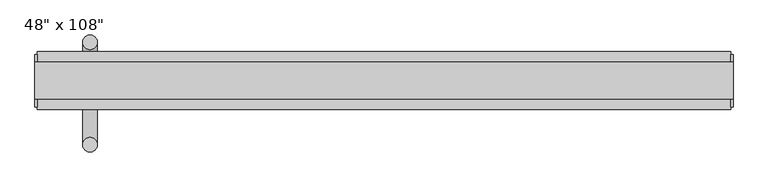
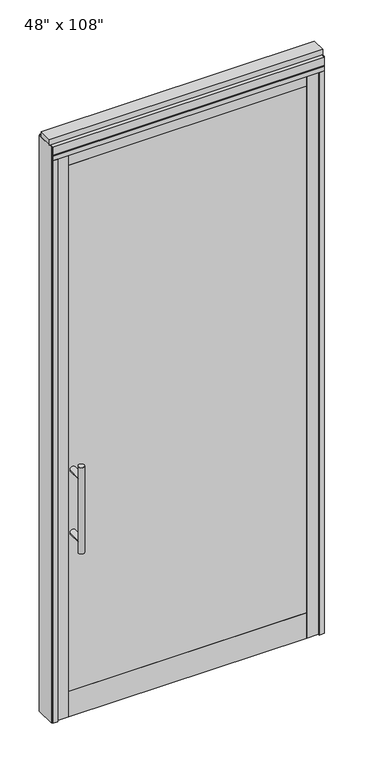
"""IFC4 building model written with IfcOpenShell, lengths in millimetres: furniture geometry."""

from ifc_helpers import new_model, si_unit, frame, origin, origin_with_axes, place, context, project, spatial, polyline, circle_curve, ellipse_curve, outline, extrude, source, transform, mapped, element, save
from ifc_brep_helpers import plane_surface, cylinder_surface, advanced_brep


def furniture_1ddf3896(model_context):
    return source(origin(), model_context, "Body", "SolidModel", [
        extrude(outline(polyline([(470.0614771, -48.9677216), (-590.1345229, -48.9677216), (-590.1345229, -38.8077216), (470.0614771, -38.8077216), (470.0614771, -48.9677216)])), frame((0.0, 0.0, 120.65), z_axis=(0.0, 0.0, 1.0), x_axis=(1.0, 0.0, 0.0)), (0.0, 0.0, 1.0), 2482.85),
        extrude(outline(polyline([(470.0614771, -14.6777216), (-590.1345229, -14.6777216), (-590.1345229, -4.5177216), (470.0614771, -4.5177216), (470.0614771, -14.6777216)])), frame((0.0, 0.0, 120.65), z_axis=(0.0, 0.0, 1.0), x_axis=(1.0, 0.0, 0.0)), (0.0, 0.0, 1.0), 2482.85),
        advanced_brep(
        [(-586.1975229, 63.0462784, 1219.2), (-560.7975229, 63.0462784, 1219.2), (-586.1975229, 63.0462784, 812.8), (-560.7975229, 63.0462784, 812.8), (-560.7975229, 63.0462784, 1164.336), (-560.7975229, 63.0462784, 867.664), (-586.1975229, 63.0462784, 867.664), (-586.1975229, 63.0462784, 1164.336), (-586.1975229, -4.5177216, 1164.336), (-560.7975229, -4.5177216, 1164.336), (-586.1975229, -4.5177216, 867.664), (-560.7975229, -4.5177216, 867.664)],
        [
            (0, 1, circle_curve(frame((-573.4975229, 63.0462784, 1219.2), z_axis=(0.0, 0.0, 1.0), x_axis=(1.0, 0.0, 0.0)), 12.7)),
            (1, 0, circle_curve(frame((-573.4975229, 63.0462784, 1219.2), z_axis=(0.0, 0.0, 1.0), x_axis=(1.0, 0.0, 0.0)), 12.7)),
            (2, 3, circle_curve(frame((-573.4975229, 63.0462784, 812.8), z_axis=(0.0, 0.0, -1.0), x_axis=(1.0, 0.0, 0.0)), 12.7)),
            (3, 2, circle_curve(frame((-573.4975229, 63.0462784, 812.8), z_axis=(0.0, 0.0, -1.0), x_axis=(1.0, 0.0, 0.0)), 12.7)),
            (1, 4),
            (4, 5),
            (5, 3),
            (2, 6),
            (6, 7),
            (7, 0),
            (6, 5, ellipse_curve(frame((-573.4975229, 63.0462784, 867.664), z_axis=(0.0, 0.707106781186565, 0.70710678118653), x_axis=(0.0, -0.70710678118653, 0.707106781186565)), 17.9605122, 12.7)),
            (4, 7, ellipse_curve(frame((-573.4975229, 63.0462784, 1164.336), z_axis=(0.0, 0.70710678118653, -0.7071067811865649), x_axis=(0.0, 0.7071067811865648, 0.7071067811865301)), 17.9605122, 12.7)),
            (7, 4, ellipse_curve(frame((-573.4975229, 63.0462784, 1164.336), z_axis=(0.0, 0.707106781186565, 0.70710678118653), x_axis=(0.0, -0.70710678118653, 0.707106781186565)), 17.9605122, 12.7)),
            (5, 6, ellipse_curve(frame((-573.4975229, 63.0462784, 867.664), z_axis=(0.0, 0.70710678118653, -0.7071067811865649), x_axis=(0.0, 0.7071067811865648, 0.7071067811865301)), 17.9605122, 12.7)),
            (8, 9, circle_curve(frame((-573.4975229, -4.5177216, 1164.336), z_axis=(0.0, -1.0, 0.0), x_axis=(1.0, 0.0, 0.0)), 12.7)),
            (9, 8, circle_curve(frame((-573.4975229, -4.5177216, 1164.336), z_axis=(0.0, -1.0, 0.0), x_axis=(1.0, 0.0, 0.0)), 12.7)),
            (8, 7),
            (4, 9),
            (10, 11, circle_curve(frame((-573.4975229, -4.5177216, 867.664), z_axis=(0.0, -1.0, 0.0), x_axis=(1.0, 0.0, 0.0)), 12.7)),
            (11, 10, circle_curve(frame((-573.4975229, -4.5177216, 867.664), z_axis=(0.0, -1.0, 0.0), x_axis=(1.0, 0.0, 0.0)), 12.7)),
            (10, 6),
            (5, 11),
        ],
        [
            plane_surface(frame((-560.7975229, 63.0462784, 1219.2), z_axis=(0.0, 0.0, 1.0), x_axis=(0.0, -1.0, 0.0))),
            plane_surface(frame((-560.7975229, 63.0462784, 812.8), z_axis=(0.0, 0.0, -1.0), x_axis=(0.0, 1.0, 0.0))),
            cylinder_surface(frame((-573.4975229, 63.0462784, 812.8), z_axis=(0.0, 0.0, 1.0), x_axis=(1.0, 0.0, 0.0)), 12.7),
            plane_surface(frame((-560.7975229, -4.5177216, 1164.336), z_axis=(0.0, -1.0, 0.0), x_axis=(0.0, 0.0, -1.0))),
            cylinder_surface(frame((-573.4975229, -4.5177216, 1164.336), z_axis=(0.0, 1.0, 0.0), x_axis=(1.0, 0.0, 0.0)), 12.7),
            plane_surface(frame((-560.7975229, -4.5177216, 867.664), z_axis=(0.0, -1.0, 0.0), x_axis=(0.0, 0.0, -1.0))),
            cylinder_surface(frame((-573.4975229, -4.5177216, 867.664), z_axis=(0.0, 1.0, 0.0), x_axis=(1.0, 0.0, 0.0)), 12.7),
        ],
        [
            (0, [[1, 2]]),
            (1, [[3, 4]]),
            (2, [[5, 6, 7, -3, 8, 9, 10, -2]]),
            (2, [[-9, 11, -6, 12]]),
            (2, [[-10, 13, -5, -1]]),
            (2, [[-7, 14, -8, -4]]),
            (3, [[15, 16]]),
            (4, [[17, -12, 18, -15]]),
            (4, [[-18, -13, -17, -16]]),
            (5, [[19, 20]]),
            (6, [[21, -14, 22, -19]]),
            (6, [[-22, -11, -21, -20]]),
        ],
    ),
        advanced_brep(
        [(-586.1975229, -116.5317216, 1219.2), (-560.7975229, -116.5317216, 1219.2), (-586.1975229, -116.5317216, 812.8), (-560.7975229, -116.5317216, 812.8), (-586.1975229, -116.5317216, 1164.336), (-586.1975229, -116.5317216, 867.664), (-560.7975229, -116.5317216, 867.664), (-560.7975229, -116.5317216, 1164.336), (-586.1975229, -48.9677216, 1164.336), (-560.7975229, -48.9677216, 1164.336), (-586.1975229, -48.9677216, 867.664), (-560.7975229, -48.9677216, 867.664)],
        [
            (0, 1, circle_curve(frame((-573.4975229, -116.5317216, 1219.2), z_axis=(0.0, 0.0, 1.0), x_axis=(1.0, 0.0, 0.0)), 12.7)),
            (1, 0, circle_curve(frame((-573.4975229, -116.5317216, 1219.2), z_axis=(0.0, 0.0, 1.0), x_axis=(1.0, 0.0, 0.0)), 12.7)),
            (2, 3, circle_curve(frame((-573.4975229, -116.5317216, 812.8), z_axis=(0.0, 0.0, -1.0), x_axis=(1.0, 0.0, 0.0)), 12.7)),
            (3, 2, circle_curve(frame((-573.4975229, -116.5317216, 812.8), z_axis=(0.0, 0.0, -1.0), x_axis=(1.0, 0.0, 0.0)), 12.7)),
            (0, 4),
            (4, 5),
            (5, 2),
            (3, 6),
            (6, 7),
            (7, 1),
            (7, 4, ellipse_curve(frame((-573.4975229, -116.5317216, 1164.336), z_axis=(0.0, -0.707106781186565, 0.70710678118653), x_axis=(0.0, 0.70710678118653, 0.707106781186565)), 17.9605122, 12.7)),
            (5, 6, ellipse_curve(frame((-573.4975229, -116.5317216, 867.664), z_axis=(0.0, -0.70710678118653, -0.7071067811865649), x_axis=(0.0, -0.7071067811865648, 0.7071067811865301)), 17.9605122, 12.7)),
            (4, 7, ellipse_curve(frame((-573.4975229, -116.5317216, 1164.336), z_axis=(0.0, -0.70710678118653, -0.7071067811865649), x_axis=(0.0, -0.7071067811865648, 0.7071067811865301)), 17.9605122, 12.7)),
            (6, 5, ellipse_curve(frame((-573.4975229, -116.5317216, 867.664), z_axis=(0.0, -0.707106781186565, 0.70710678118653), x_axis=(0.0, 0.70710678118653, 0.707106781186565)), 17.9605122, 12.7)),
            (8, 9, circle_curve(frame((-573.4975229, -48.9677216, 1164.336), z_axis=(0.0, 1.0, 0.0), x_axis=(1.0, 0.0, 0.0)), 12.7)),
            (9, 8, circle_curve(frame((-573.4975229, -48.9677216, 1164.336), z_axis=(0.0, 1.0, 0.0), x_axis=(1.0, 0.0, 0.0)), 12.7)),
            (9, 7),
            (4, 8),
            (10, 11, circle_curve(frame((-573.4975229, -48.9677216, 867.664), z_axis=(0.0, 1.0, 0.0), x_axis=(1.0, 0.0, 0.0)), 12.7)),
            (11, 10, circle_curve(frame((-573.4975229, -48.9677216, 867.664), z_axis=(0.0, 1.0, 0.0), x_axis=(1.0, 0.0, 0.0)), 12.7)),
            (11, 6),
            (5, 10),
        ],
        [
            plane_surface(frame((-560.7975229, -116.5317216, 1219.2), z_axis=(0.0, 0.0, 1.0), x_axis=(0.0, 1.0, 0.0))),
            plane_surface(frame((-560.7975229, -116.5317216, 812.8), z_axis=(0.0, 0.0, -1.0), x_axis=(0.0, -1.0, 0.0))),
            cylinder_surface(frame((-573.4975229, -116.5317216, 812.8), z_axis=(0.0, 0.0, 1.0), x_axis=(1.0, 0.0, 0.0)), 12.7),
            plane_surface(frame((-560.7975229, -48.9677216, 1164.336), z_axis=(0.0, 1.0, 0.0), x_axis=(0.0, 0.0, -1.0))),
            cylinder_surface(frame((-573.4975229, -48.9677216, 1164.336), z_axis=(0.0, -1.0, 0.0), x_axis=(1.0, 0.0, 0.0)), 12.7),
            plane_surface(frame((-560.7975229, -48.9677216, 867.664), z_axis=(0.0, 1.0, 0.0), x_axis=(0.0, 0.0, -1.0))),
            cylinder_surface(frame((-573.4975229, -48.9677216, 867.664), z_axis=(0.0, -1.0, 0.0), x_axis=(1.0, 0.0, 0.0)), 12.7),
        ],
        [
            (0, [[1, 2]]),
            (1, [[3, 4]]),
            (2, [[-1, 5, 6, 7, -4, 8, 9, 10]]),
            (2, [[-2, -10, 11, -5]]),
            (2, [[-3, -7, 12, -8]]),
            (2, [[13, -9, 14, -6]]),
            (3, [[15, 16]]),
            (4, [[-16, 17, -13, 18]]),
            (4, [[-15, -18, -11, -17]]),
            (5, [[19, 20]]),
            (6, [[-20, 21, -12, 22]]),
            (6, [[-19, -22, -14, -21]]),
        ],
    ),
        extrude(outline(polyline([(470.5694771, -48.9677216), (-589.6265229, -48.9677216), (-589.6265229, -4.5177216), (470.5694771, -4.5177216), (470.5694771, -48.9677216)])), frame((0.0, 0.0, 2603.5), z_axis=(0.0, 0.0, 1.0), x_axis=(1.0, 0.0, 0.0)), (0.0, 0.0, 1.0), 50.8),
        extrude(outline(polyline([(470.5694771, -48.9677216), (-589.6265229, -48.9677216), (-589.6265229, -4.5177216), (470.5694771, -4.5177216), (470.5694771, -48.9677216)])), origin_with_axes(), (0.0, 0.0, 1.0), 120.65),
        extrude(outline(polyline([(-589.6265229, -48.9677216), (-643.4745229, -48.9677216), (-643.4745229, -4.5177216), (-589.6265229, -4.5177216), (-589.6265229, -48.9677216)])), origin_with_axes(), (0.0, 0.0, 1.0), 2654.3),
        extrude(outline(polyline([(523.4014771, -48.9677216), (470.5694771, -48.9677216), (470.5694771, -4.5177216), (523.4014771, -4.5177216), (523.4014771, -48.9677216)])), origin_with_axes(), (0.0, 0.0, 1.0), 2654.3),
        extrude(outline(polyline([(-665.6995229, 46.2822784), (-643.4745229, 46.2822784), (-643.4745229, 20.8822784), (-630.7745229, 20.8822784), (-630.7745229, -4.5177216), (-643.4745229, -4.5177216), (-643.4745229, -55.3177216), (-665.6995229, -55.3177216), (-665.6995229, 46.2822784)])), origin_with_axes(), (0.0, 0.0, 1.0), 2654.3),
        extrude(outline(polyline([(-665.6995229, -55.3177216), (-665.6995229, 46.2822784), (545.6264771, 46.2822784), (545.6264771, -55.3177216), (-665.6995229, -55.3177216)])), frame((0.0, 0.0, 2654.3), z_axis=(0.0, 0.0, 1.0), x_axis=(1.0, 0.0, 0.0)), (0.0, 0.0, 1.0), 22.225),
        extrude(outline(polyline([(549.5634771, -50.3647216), (545.6264771, -50.3647216), (545.6264771, 41.3292784), (549.5634771, 41.3292784), (549.5634771, -50.3647216)])), origin_with_axes(), (0.0, 0.0, 1.0), 2717.8),
        extrude(outline(polyline([(-669.6365229, -50.3647216), (-669.6365229, 41.3292784), (-665.6995229, 41.3292784), (-665.6995229, -50.3647216), (-669.6365229, -50.3647216)])), origin_with_axes(), (0.0, 0.0, 1.0), 2717.8),
        extrude(outline(polyline([(545.6264771, 46.2822784), (545.6264771, -55.3177216), (523.4014771, -55.3177216), (523.4014771, -4.5177216), (510.7014771, -4.5177216), (510.7014771, 20.8822784), (523.4014771, 20.8822784), (523.4014771, 46.2822784), (545.6264771, 46.2822784)])), origin_with_axes(), (0.0, 0.0, 1.0), 2654.3),
        extrude(outline(polyline([(-55.3177216, 2681.478), (-55.3177216, 2717.8), (46.2822784, 2717.8), (46.2822784, 2681.478), (41.3292784, 2681.478), (41.3292784, 2676.525), (-50.3647216, 2676.525), (-50.3647216, 2681.478), (-55.3177216, 2681.478)])), frame((-665.6995229, 0.0, 0.0), z_axis=(1.0, 0.0, 0.0), x_axis=(0.0, 1.0, 0.0)), (0.0, 0.0, 1.0), 1211.326),
        extrude(outline(polyline([(-669.6365229, -37.0297216), (-669.6365229, 27.9942784), (549.5634771, 27.9942784), (549.5634771, -37.0297216), (-669.6365229, -37.0297216)])), frame((0.0, 0.0, 2717.8), z_axis=(0.0, 0.0, 1.0), x_axis=(1.0, 0.0, 0.0)), (0.0, 0.0, 1.0), 25.4),
    ])


if __name__ == "__main__":
    model = new_model("IFC4")
    model_context = context("Model", 3, world=origin())
    ifc_project = project(units=[si_unit("LENGTHUNIT", "METRE", prefix="MILLI")], contexts=[model_context])
    site = spatial("IfcSite", under=ifc_project)
    building = spatial("IfcBuilding", under=site)
    placement = place(None, origin())
    furniture_shape = furniture_1ddf3896(model_context)
    element("IfcFurniture", 1, ObjectType="48\" x 108\"", at=placement, inside=building, context=model_context, shape_type="MappedRepresentation", body=[
        mapped(furniture_shape, transform((0.0, 0.0, 0.0), x_axis=(1.0, 0.0, 0.0), y_axis=(0.0, 1.0, 0.0), z_axis=(0.0, 0.0, 1.0))),
    ])
    save(model, "model.ifc")
